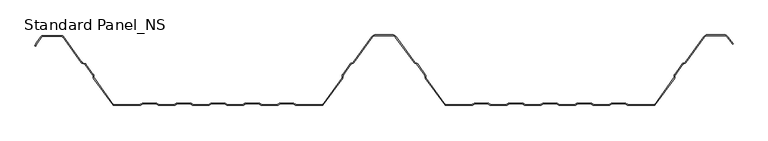
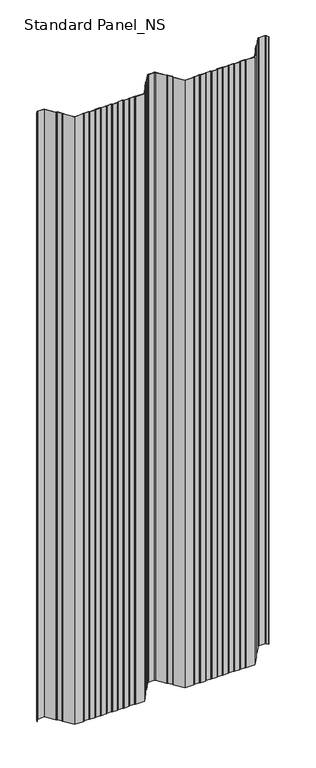
"""IFC4 building model written with IfcOpenShell, lengths in millimetres: proxy geometry, Standard Panel_NS."""

from ifc_helpers import new_model, si_unit, point, frame, frame_2d, origin, place, context, project, spatial, polyline, circle_curve, trimmed, segment, composite_curve, outline, extrude, source, transform, mapped, element, save


def standard_panel_ns_01770529(model_context):
    return source(origin(), model_context, "Body", "SweptSolid", [
        extrude(outline(composite_curve([segment(trimmed(circle_curve(frame_2d((-489.5977664, 97.2513951)), 2.7486049), [point((-491.8230656, 98.864737))], [point((-489.5977664, 100.0))], False, "CARTESIAN"), True, "CONTINUOUS"), segment(polyline([(-489.5977664, 100.0), (-462.4022336, 100.0)]), True, "CONTINUOUS"), segment(trimmed(circle_curve(frame_2d((-462.4022336, 97.2513951)), 2.7486049), [point((-462.4022336, 100.0))], [point((-460.1769344, 98.864737))], False, "CARTESIAN"), True, "CONTINUOUS"), segment(polyline([(-460.1769344, 98.864737), (-433.3812187, 61.9051293)]), True, "CONTINUOUS"), segment(trimmed(circle_curve(frame_2d((-431.96553, 62.9315037)), 1.7486049), [point((-433.3812187, 61.9051293))], [point((-432.5741242, 61.2922257))], True, "CARTESIAN"), True, "CONTINUOUS"), segment(polyline([(-432.5741242, 61.2922257), (-428.780451, 59.8837962)]), True, "CONTINUOUS"), segment(trimmed(circle_curve(frame_2d((-429.7370908, 57.3070406)), 2.7486049), [point((-428.780451, 59.8837962))], [point((-427.5117915, 58.9203825))], False, "CARTESIAN"), True, "CONTINUOUS"), segment(polyline([(-427.5117915, 58.9203825), (-416.7622541, 44.0934344)]), True, "CONTINUOUS"), segment(trimmed(circle_curve(frame_2d((-418.9875533, 42.4800924)), 2.7486049), [point((-416.7622541, 44.0934344))], [point((-416.2410714, 42.5881001))], False, "CARTESIAN"), True, "CONTINUOUS"), segment(polyline([(-416.2410714, 42.5881001), (-416.152896, 40.3459275)]), True, "CONTINUOUS"), segment(trimmed(circle_curve(frame_2d((-414.4056417, 40.4146398)), 1.7486049), [point((-416.152896, 40.3459275))], [point((-415.8213305, 39.3882654))], True, "CARTESIAN"), True, "CONTINUOUS"), segment(polyline([(-415.8213305, 39.3882654), (-387.9898381, 1.0), (-350.1655439, 1.0)]), True, "CONTINUOUS"), segment(trimmed(circle_curve(frame_2d((-350.1655439, 2.7486049)), 1.7486049), [point((-350.1655439, 1.0))], [point((-349.1955925, 1.2936777))], True, "CARTESIAN"), True, "CONTINUOUS"), segment(polyline([(-349.1955925, 1.2936777), (-347.32855, 2.5383726)]), True, "CONTINUOUS"), segment(trimmed(circle_curve(frame_2d((-345.8038984, 0.2513951)), 2.7486049), [point((-347.32855, 2.5383726))], [point((-345.8038984, 3.0))], False, "CARTESIAN"), True, "CONTINUOUS"), segment(polyline([(-345.8038984, 3.0), (-326.8627683, 3.0)]), True, "CONTINUOUS"), segment(trimmed(circle_curve(frame_2d((-326.8627683, 0.2513951)), 2.7486049), [point((-326.8627683, 3.0))], [point((-325.3381166, 2.5383726))], False, "CARTESIAN"), True, "CONTINUOUS"), segment(polyline([(-325.3381166, 2.5383726), (-323.4710742, 1.2936777)]), True, "CONTINUOUS"), segment(trimmed(circle_curve(frame_2d((-322.5011227, 2.7486049)), 1.7486049), [point((-323.4710742, 1.2936777))], [point((-322.5011227, 1.0))], True, "CARTESIAN"), True, "CONTINUOUS"), segment(polyline([(-322.5011227, 1.0), (-300.9988773, 1.0)]), True, "CONTINUOUS"), segment(trimmed(circle_curve(frame_2d((-300.9988773, 2.7486049)), 1.7486049), [point((-300.9988773, 1.0))], [point((-300.0289258, 1.2936777))], True, "CARTESIAN"), True, "CONTINUOUS"), segment(polyline([(-300.0289258, 1.2936777), (-298.1618834, 2.5383726)]), True, "CONTINUOUS"), segment(trimmed(circle_curve(frame_2d((-296.6372317, 0.2513951)), 2.7486049), [point((-298.1618834, 2.5383726))], [point((-296.6372317, 3.0))], False, "CARTESIAN"), True, "CONTINUOUS"), segment(polyline([(-296.6372317, 3.0), (-277.6961016, 3.0)]), True, "CONTINUOUS"), segment(trimmed(circle_curve(frame_2d((-277.6961016, 0.2513951)), 2.7486049), [point((-277.6961016, 3.0))], [point((-276.17145, 2.5383726))], False, "CARTESIAN"), True, "CONTINUOUS"), segment(polyline([(-276.17145, 2.5383726), (-274.3044075, 1.2936777)]), True, "CONTINUOUS"), segment(trimmed(circle_curve(frame_2d((-273.3344561, 2.7486049)), 1.7486049), [point((-274.3044075, 1.2936777))], [point((-273.3344561, 1.0))], True, "CARTESIAN"), True, "CONTINUOUS"), segment(polyline([(-273.3344561, 1.0), (-251.8322106, 1.0)]), True, "CONTINUOUS"), segment(trimmed(circle_curve(frame_2d((-251.8322106, 2.7486049)), 1.7486049), [point((-251.8322106, 1.0))], [point((-250.8622591, 1.2936777))], True, "CARTESIAN"), True, "CONTINUOUS"), segment(polyline([(-250.8622591, 1.2936777), (-248.9952167, 2.5383726)]), True, "CONTINUOUS"), segment(trimmed(circle_curve(frame_2d((-247.470565, 0.2513951)), 2.7486049), [point((-248.9952167, 2.5383726))], [point((-247.470565, 3.0))], False, "CARTESIAN"), True, "CONTINUOUS"), segment(polyline([(-247.470565, 3.0), (-228.529435, 3.0)]), True, "CONTINUOUS"), segment(trimmed(circle_curve(frame_2d((-228.529435, 0.2513951)), 2.7486049), [point((-228.529435, 3.0))], [point((-227.0047833, 2.5383726))], False, "CARTESIAN"), True, "CONTINUOUS"), segment(polyline([(-227.0047833, 2.5383726), (-225.1377409, 1.2936777)]), True, "CONTINUOUS"), segment(trimmed(circle_curve(frame_2d((-224.1677894, 2.7486049)), 1.7486049), [point((-225.1377409, 1.2936777))], [point((-224.1677894, 1.0))], True, "CARTESIAN"), True, "CONTINUOUS"), segment(polyline([(-224.1677894, 1.0), (-202.6655439, 1.0)]), True, "CONTINUOUS"), segment(trimmed(circle_curve(frame_2d((-202.6655439, 2.7486049)), 1.7486049), [point((-202.6655439, 1.0))], [point((-201.6955925, 1.2936777))], True, "CARTESIAN"), True, "CONTINUOUS"), segment(polyline([(-201.6955925, 1.2936777), (-199.82855, 2.5383726)]), True, "CONTINUOUS"), segment(trimmed(circle_curve(frame_2d((-198.3038984, 0.2513951)), 2.7486049), [point((-199.82855, 2.5383726))], [point((-198.3038984, 3.0))], False, "CARTESIAN"), True, "CONTINUOUS"), segment(polyline([(-198.3038984, 3.0), (-179.3627683, 3.0)]), True, "CONTINUOUS"), segment(trimmed(circle_curve(frame_2d((-179.3627683, 0.2513951)), 2.7486049), [point((-179.3627683, 3.0))], [point((-177.8381166, 2.5383726))], False, "CARTESIAN"), True, "CONTINUOUS"), segment(polyline([(-177.8381166, 2.5383726), (-175.9710742, 1.2936777)]), True, "CONTINUOUS"), segment(trimmed(circle_curve(frame_2d((-175.0011227, 2.7486049)), 1.7486049), [point((-175.9710742, 1.2936777))], [point((-175.0011227, 1.0))], True, "CARTESIAN"), True, "CONTINUOUS"), segment(polyline([(-175.0011227, 1.0), (-153.4988773, 1.0)]), True, "CONTINUOUS"), segment(trimmed(circle_curve(frame_2d((-153.4988773, 2.7486049)), 1.7486049), [point((-153.4988773, 1.0))], [point((-152.5289258, 1.2936777))], True, "CARTESIAN"), True, "CONTINUOUS"), segment(polyline([(-152.5289258, 1.2936777), (-150.6618834, 2.5383726)]), True, "CONTINUOUS"), segment(trimmed(circle_curve(frame_2d((-149.1372317, 0.2513951)), 2.7486049), [point((-150.6618834, 2.5383726))], [point((-149.1372317, 3.0))], False, "CARTESIAN"), True, "CONTINUOUS"), segment(polyline([(-149.1372317, 3.0), (-130.1961016, 3.0)]), True, "CONTINUOUS"), segment(trimmed(circle_curve(frame_2d((-130.1961016, 0.2513951)), 2.7486049), [point((-130.1961016, 3.0))], [point((-128.67145, 2.5383726))], False, "CARTESIAN"), True, "CONTINUOUS"), segment(polyline([(-128.67145, 2.5383726), (-126.8044075, 1.2936777)]), True, "CONTINUOUS"), segment(trimmed(circle_curve(frame_2d((-125.8344561, 2.7486049)), 1.7486049), [point((-126.8044075, 1.2936777))], [point((-125.8344561, 1.0))], True, "CARTESIAN"), True, "CONTINUOUS"), segment(polyline([(-125.8344561, 1.0), (-88.0101619, 1.0), (-60.1786695, 39.3882654)]), True, "CONTINUOUS"), segment(trimmed(circle_curve(frame_2d((-61.5943583, 40.4146398)), 1.7486049), [point((-60.1786695, 39.3882654))], [point((-59.847104, 40.3459275))], True, "CARTESIAN"), True, "CONTINUOUS"), segment(polyline([(-59.847104, 40.3459275), (-59.7589286, 42.5881001)]), True, "CONTINUOUS"), segment(trimmed(circle_curve(frame_2d((-57.0124467, 42.4800924)), 2.7486049), [point((-59.7589286, 42.5881001))], [point((-59.2377459, 44.0934344))], False, "CARTESIAN"), True, "CONTINUOUS"), segment(polyline([(-59.2377459, 44.0934344), (-48.1199168, 59.4283711)]), True, "CONTINUOUS"), segment(trimmed(circle_curve(frame_2d((-45.8946175, 57.8150291)), 2.7486049), [point((-48.1199168, 59.4283711))], [point((-46.8512573, 60.3917847))], False, "CARTESIAN"), True, "CONTINUOUS"), segment(polyline([(-46.8512573, 60.3917847), (-44.747646, 61.1727662)]), True, "CONTINUOUS"), segment(trimmed(circle_curve(frame_2d((-45.3562402, 62.8120441)), 1.7486049), [point((-44.747646, 61.1727662))], [point((-43.9405514, 61.7856697))], True, "CARTESIAN"), True, "CONTINUOUS"), segment(polyline([(-43.9405514, 61.7856697), (-17.306853, 98.5218054)]), True, "CONTINUOUS"), segment(trimmed(circle_curve(frame_2d((-12.4491903, 95.0)), 6.0), [point((-17.306853, 98.5218054))], [point((-12.4491903, 101.0))], False, "CARTESIAN"), True, "CONTINUOUS"), segment(polyline([(-12.4491903, 101.0), (12.4491903, 101.0)]), True, "CONTINUOUS"), segment(trimmed(circle_curve(frame_2d((12.4491903, 95.0)), 6.0), [point((12.4491903, 101.0))], [point((17.306853, 98.5218054))], False, "CARTESIAN"), True, "CONTINUOUS"), segment(polyline([(17.306853, 98.5218054), (43.9405514, 61.7856697)]), True, "CONTINUOUS"), segment(trimmed(circle_curve(frame_2d((45.3562402, 62.8120441)), 1.7486049), [point((43.9405514, 61.7856697))], [point((44.747646, 61.1727662))], True, "CARTESIAN"), True, "CONTINUOUS"), segment(polyline([(44.747646, 61.1727662), (46.8512573, 60.3917847)]), True, "CONTINUOUS"), segment(trimmed(circle_curve(frame_2d((45.8946175, 57.8150291)), 2.7486049), [point((46.8512573, 60.3917847))], [point((48.1199168, 59.4283711))], False, "CARTESIAN"), True, "CONTINUOUS"), segment(polyline([(48.1199168, 59.4283711), (59.2377459, 44.0934344)]), True, "CONTINUOUS"), segment(trimmed(circle_curve(frame_2d((57.0124467, 42.4800924)), 2.7486049), [point((59.2377459, 44.0934344))], [point((59.7589286, 42.5881001))], False, "CARTESIAN"), True, "CONTINUOUS"), segment(polyline([(59.7589286, 42.5881001), (59.847104, 40.3459275)]), True, "CONTINUOUS"), segment(trimmed(circle_curve(frame_2d((61.5943583, 40.4146398)), 1.7486049), [point((59.847104, 40.3459275))], [point((60.1786695, 39.3882654))], True, "CARTESIAN"), True, "CONTINUOUS"), segment(polyline([(60.1786695, 39.3882654), (88.0101619, 1.0), (125.8344561, 1.0)]), True, "CONTINUOUS"), segment(trimmed(circle_curve(frame_2d((125.8344561, 2.7486049)), 1.7486049), [point((125.8344561, 1.0))], [point((126.8044075, 1.2936777))], True, "CARTESIAN"), True, "CONTINUOUS"), segment(polyline([(126.8044075, 1.2936777), (128.67145, 2.5383726)]), True, "CONTINUOUS"), segment(trimmed(circle_curve(frame_2d((130.1961016, 0.2513951)), 2.7486049), [point((128.67145, 2.5383726))], [point((130.1961016, 3.0))], False, "CARTESIAN"), True, "CONTINUOUS"), segment(polyline([(130.1961016, 3.0), (149.1372317, 3.0)]), True, "CONTINUOUS"), segment(trimmed(circle_curve(frame_2d((149.1372317, 0.2513951)), 2.7486049), [point((149.1372317, 3.0))], [point((150.6618834, 2.5383726))], False, "CARTESIAN"), True, "CONTINUOUS"), segment(polyline([(150.6618834, 2.5383726), (152.5289258, 1.2936777)]), True, "CONTINUOUS"), segment(trimmed(circle_curve(frame_2d((153.4988773, 2.7486049)), 1.7486049), [point((152.5289258, 1.2936777))], [point((153.4988773, 1.0))], True, "CARTESIAN"), True, "CONTINUOUS"), segment(polyline([(153.4988773, 1.0), (175.0011227, 1.0)]), True, "CONTINUOUS"), segment(trimmed(circle_curve(frame_2d((175.0011227, 2.7486049)), 1.7486049), [point((175.0011227, 1.0))], [point((175.9710742, 1.2936777))], True, "CARTESIAN"), True, "CONTINUOUS"), segment(polyline([(175.9710742, 1.2936777), (177.8381166, 2.5383726)]), True, "CONTINUOUS"), segment(trimmed(circle_curve(frame_2d((179.3627683, 0.2513951)), 2.7486049), [point((177.8381166, 2.5383726))], [point((179.3627683, 3.0))], False, "CARTESIAN"), True, "CONTINUOUS"), segment(polyline([(179.3627683, 3.0), (198.3038984, 3.0)]), True, "CONTINUOUS"), segment(trimmed(circle_curve(frame_2d((198.3038984, 0.2513951)), 2.7486049), [point((198.3038984, 3.0))], [point((199.82855, 2.5383726))], False, "CARTESIAN"), True, "CONTINUOUS"), segment(polyline([(199.82855, 2.5383726), (201.6955925, 1.2936777)]), True, "CONTINUOUS"), segment(trimmed(circle_curve(frame_2d((202.6655439, 2.7486049)), 1.7486049), [point((201.6955925, 1.2936777))], [point((202.6655439, 1.0))], True, "CARTESIAN"), True, "CONTINUOUS"), segment(polyline([(202.6655439, 1.0), (224.1677894, 1.0)]), True, "CONTINUOUS"), segment(trimmed(circle_curve(frame_2d((224.1677894, 2.7486049)), 1.7486049), [point((224.1677894, 1.0))], [point((225.1377409, 1.2936777))], True, "CARTESIAN"), True, "CONTINUOUS"), segment(polyline([(225.1377409, 1.2936777), (227.0047833, 2.5383726)]), True, "CONTINUOUS"), segment(trimmed(circle_curve(frame_2d((228.529435, 0.2513951)), 2.7486049), [point((227.0047833, 2.5383726))], [point((228.529435, 3.0))], False, "CARTESIAN"), True, "CONTINUOUS"), segment(polyline([(228.529435, 3.0), (247.470565, 3.0)]), True, "CONTINUOUS"), segment(trimmed(circle_curve(frame_2d((247.470565, 0.2513951)), 2.7486049), [point((247.470565, 3.0))], [point((248.9952167, 2.5383726))], False, "CARTESIAN"), True, "CONTINUOUS"), segment(polyline([(248.9952167, 2.5383726), (250.8622591, 1.2936777)]), True, "CONTINUOUS"), segment(trimmed(circle_curve(frame_2d((251.8322106, 2.7486049)), 1.7486049), [point((250.8622591, 1.2936777))], [point((251.8322106, 1.0))], True, "CARTESIAN"), True, "CONTINUOUS"), segment(polyline([(251.8322106, 1.0), (273.3344561, 1.0)]), True, "CONTINUOUS"), segment(trimmed(circle_curve(frame_2d((273.3344561, 2.7486049)), 1.7486049), [point((273.3344561, 1.0))], [point((274.3044075, 1.2936777))], True, "CARTESIAN"), True, "CONTINUOUS"), segment(polyline([(274.3044075, 1.2936777), (276.17145, 2.5383726)]), True, "CONTINUOUS"), segment(trimmed(circle_curve(frame_2d((277.6961016, 0.2513951)), 2.7486049), [point((276.17145, 2.5383726))], [point((277.6961016, 3.0))], False, "CARTESIAN"), True, "CONTINUOUS"), segment(polyline([(277.6961016, 3.0), (296.6372317, 3.0)]), True, "CONTINUOUS"), segment(trimmed(circle_curve(frame_2d((296.6372317, 0.2513951)), 2.7486049), [point((296.6372317, 3.0))], [point((298.1618834, 2.5383726))], False, "CARTESIAN"), True, "CONTINUOUS"), segment(polyline([(298.1618834, 2.5383726), (300.0289258, 1.2936777)]), True, "CONTINUOUS"), segment(trimmed(circle_curve(frame_2d((300.9988773, 2.7486049)), 1.7486049), [point((300.0289258, 1.2936777))], [point((300.9988773, 1.0))], True, "CARTESIAN"), True, "CONTINUOUS"), segment(polyline([(300.9988773, 1.0), (322.5011227, 1.0)]), True, "CONTINUOUS"), segment(trimmed(circle_curve(frame_2d((322.5011227, 2.7486049)), 1.7486049), [point((322.5011227, 1.0))], [point((323.4710742, 1.2936777))], True, "CARTESIAN"), True, "CONTINUOUS"), segment(polyline([(323.4710742, 1.2936777), (325.3381166, 2.5383726)]), True, "CONTINUOUS"), segment(trimmed(circle_curve(frame_2d((326.8627683, 0.2513951)), 2.7486049), [point((325.3381166, 2.5383726))], [point((326.8627683, 3.0))], False, "CARTESIAN"), True, "CONTINUOUS"), segment(polyline([(326.8627683, 3.0), (345.8038984, 3.0)]), True, "CONTINUOUS"), segment(trimmed(circle_curve(frame_2d((345.8038984, 0.2513951)), 2.7486049), [point((345.8038984, 3.0))], [point((347.32855, 2.5383726))], False, "CARTESIAN"), True, "CONTINUOUS"), segment(polyline([(347.32855, 2.5383726), (349.1955925, 1.2936777)]), True, "CONTINUOUS"), segment(trimmed(circle_curve(frame_2d((350.1655439, 2.7486049)), 1.7486049), [point((349.1955925, 1.2936777))], [point((350.1655439, 1.0))], True, "CARTESIAN"), True, "CONTINUOUS"), segment(polyline([(350.1655439, 1.0), (387.9898381, 1.0), (415.8213305, 39.3882654)]), True, "CONTINUOUS"), segment(trimmed(circle_curve(frame_2d((414.4056417, 40.4146398)), 1.7486049), [point((415.8213305, 39.3882654))], [point((416.152896, 40.3459275))], True, "CARTESIAN"), True, "CONTINUOUS"), segment(polyline([(416.152896, 40.3459275), (416.2410714, 42.5881001)]), True, "CONTINUOUS"), segment(trimmed(circle_curve(frame_2d((418.9875533, 42.4800924)), 2.7486049), [point((416.2410714, 42.5881001))], [point((416.7622541, 44.0934344))], False, "CARTESIAN"), True, "CONTINUOUS"), segment(polyline([(416.7622541, 44.0934344), (427.8800832, 59.4283711)]), True, "CONTINUOUS"), segment(trimmed(circle_curve(frame_2d((430.1053825, 57.8150291)), 2.7486049), [point((427.8800832, 59.4283711))], [point((429.1487427, 60.3917847))], False, "CARTESIAN"), True, "CONTINUOUS"), segment(polyline([(429.1487427, 60.3917847), (431.252354, 61.1727662)]), True, "CONTINUOUS"), segment(trimmed(circle_curve(frame_2d((430.6437598, 62.8120441)), 1.7486049), [point((431.252354, 61.1727662))], [point((432.0594486, 61.7856697))], True, "CARTESIAN"), True, "CONTINUOUS"), segment(polyline([(432.0594486, 61.7856697), (458.693147, 98.5218054)]), True, "CONTINUOUS"), segment(trimmed(circle_curve(frame_2d((463.5508097, 95.0)), 6.0), [point((458.693147, 98.5218054))], [point((463.5508097, 101.0))], False, "CARTESIAN"), True, "CONTINUOUS"), segment(polyline([(463.5508097, 101.0), (488.4491903, 101.0)]), True, "CONTINUOUS"), segment(trimmed(circle_curve(frame_2d((488.4491903, 95.0)), 6.0), [point((488.4491903, 101.0))], [point((493.306853, 98.5218054))], False, "CARTESIAN"), True, "CONTINUOUS"), segment(polyline([(493.306853, 98.5218054), (500.614124, 88.4428109), (499.8045136, 87.8558433), (492.4972426, 97.9348379)]), True, "CONTINUOUS"), segment(trimmed(circle_curve(frame_2d((488.4491903, 95.0)), 5.0), [point((492.4972426, 97.9348379))], [point((488.4491903, 100.0))], True, "CARTESIAN"), True, "CONTINUOUS"), segment(polyline([(488.4491903, 100.0), (463.5508097, 100.0)]), True, "CONTINUOUS"), segment(trimmed(circle_curve(frame_2d((463.5508097, 95.0)), 5.0), [point((463.5508097, 100.0))], [point((459.5027574, 97.9348379))], True, "CARTESIAN"), True, "CONTINUOUS"), segment(polyline([(459.5027574, 97.9348379), (432.8690591, 61.1987022)]), True, "CONTINUOUS"), segment(trimmed(circle_curve(frame_2d((430.6437598, 62.8120441)), 2.7486049), [point((432.8690591, 61.1987022))], [point((431.6003996, 60.2352885))], False, "CARTESIAN"), True, "CONTINUOUS"), segment(polyline([(431.6003996, 60.2352885), (429.4967883, 59.4543071)]), True, "CONTINUOUS"), segment(trimmed(circle_curve(frame_2d((430.1053825, 57.8150291)), 1.7486049), [point((429.4967883, 59.4543071))], [point((428.6896937, 58.8414035))], True, "CARTESIAN"), True, "CONTINUOUS"), segment(polyline([(428.6896937, 58.8414035), (417.5718646, 43.5064668)]), True, "CONTINUOUS"), segment(trimmed(circle_curve(frame_2d((418.9875533, 42.4800924)), 1.7486049), [point((417.5718646, 43.5064668))], [point((417.240299, 42.5488047))], True, "CARTESIAN"), True, "CONTINUOUS"), segment(polyline([(417.240299, 42.5488047), (417.1521237, 40.3066321)]), True, "CONTINUOUS"), segment(trimmed(circle_curve(frame_2d((414.4056417, 40.4146398)), 2.7486049), [point((417.1521237, 40.3066321))], [point((416.6309409, 38.8012978))], False, "CARTESIAN"), True, "CONTINUOUS"), segment(polyline([(416.6309409, 38.8012978), (388.5, 0.0), (350.1655439, 0.0)]), True, "CONTINUOUS"), segment(trimmed(circle_curve(frame_2d((350.1655439, 2.7486049)), 2.7486049), [point((350.1655439, 0.0))], [point((348.6408923, 0.4616274))], False, "CARTESIAN"), True, "CONTINUOUS"), segment(polyline([(348.6408923, 0.4616274), (346.7738498, 1.7063223)]), True, "CONTINUOUS"), segment(trimmed(circle_curve(frame_2d((345.8038984, 0.2513951)), 1.7486049), [point((346.7738498, 1.7063223))], [point((345.8038984, 2.0))], True, "CARTESIAN"), True, "CONTINUOUS"), segment(polyline([(345.8038984, 2.0), (326.8627683, 2.0)]), True, "CONTINUOUS"), segment(trimmed(circle_curve(frame_2d((326.8627683, 0.2513951)), 1.7486049), [point((326.8627683, 2.0))], [point((325.8928168, 1.7063223))], True, "CARTESIAN"), True, "CONTINUOUS"), segment(polyline([(325.8928168, 1.7063223), (324.0257744, 0.4616274)]), True, "CONTINUOUS"), segment(trimmed(circle_curve(frame_2d((322.5011227, 2.7486049)), 2.7486049), [point((324.0257744, 0.4616274))], [point((322.5011227, 0.0))], False, "CARTESIAN"), True, "CONTINUOUS"), segment(polyline([(322.5011227, 0.0), (300.9988773, 0.0)]), True, "CONTINUOUS"), segment(trimmed(circle_curve(frame_2d((300.9988773, 2.7486049)), 2.7486049), [point((300.9988773, 0.0))], [point((299.4742256, 0.4616274))], False, "CARTESIAN"), True, "CONTINUOUS"), segment(polyline([(299.4742256, 0.4616274), (297.6071832, 1.7063223)]), True, "CONTINUOUS"), segment(trimmed(circle_curve(frame_2d((296.6372317, 0.2513951)), 1.7486049), [point((297.6071832, 1.7063223))], [point((296.6372317, 2.0))], True, "CARTESIAN"), True, "CONTINUOUS"), segment(polyline([(296.6372317, 2.0), (277.6961016, 2.0)]), True, "CONTINUOUS"), segment(trimmed(circle_curve(frame_2d((277.6961016, 0.2513951)), 1.7486049), [point((277.6961016, 2.0))], [point((276.7261502, 1.7063223))], True, "CARTESIAN"), True, "CONTINUOUS"), segment(polyline([(276.7261502, 1.7063223), (274.8591077, 0.4616274)]), True, "CONTINUOUS"), segment(trimmed(circle_curve(frame_2d((273.3344561, 2.7486049)), 2.7486049), [point((274.8591077, 0.4616274))], [point((273.3344561, 0.0))], False, "CARTESIAN"), True, "CONTINUOUS"), segment(polyline([(273.3344561, 0.0), (251.8322106, 0.0)]), True, "CONTINUOUS"), segment(trimmed(circle_curve(frame_2d((251.8322106, 2.7486049)), 2.7486049), [point((251.8322106, 0.0))], [point((250.3075589, 0.4616274))], False, "CARTESIAN"), True, "CONTINUOUS"), segment(polyline([(250.3075589, 0.4616274), (248.4405165, 1.7063223)]), True, "CONTINUOUS"), segment(trimmed(circle_curve(frame_2d((247.470565, 0.2513951)), 1.7486049), [point((248.4405165, 1.7063223))], [point((247.470565, 2.0))], True, "CARTESIAN"), True, "CONTINUOUS"), segment(polyline([(247.470565, 2.0), (228.529435, 2.0)]), True, "CONTINUOUS"), segment(trimmed(circle_curve(frame_2d((228.529435, 0.2513951)), 1.7486049), [point((228.529435, 2.0))], [point((227.5594835, 1.7063223))], True, "CARTESIAN"), True, "CONTINUOUS"), segment(polyline([(227.5594835, 1.7063223), (225.6924411, 0.4616274)]), True, "CONTINUOUS"), segment(trimmed(circle_curve(frame_2d((224.1677894, 2.7486049)), 2.7486049), [point((225.6924411, 0.4616274))], [point((224.1677894, 0.0))], False, "CARTESIAN"), True, "CONTINUOUS"), segment(polyline([(224.1677894, 0.0), (202.6655439, 0.0)]), True, "CONTINUOUS"), segment(trimmed(circle_curve(frame_2d((202.6655439, 2.7486049)), 2.7486049), [point((202.6655439, 0.0))], [point((201.1408923, 0.4616274))], False, "CARTESIAN"), True, "CONTINUOUS"), segment(polyline([(201.1408923, 0.4616274), (199.2738498, 1.7063223)]), True, "CONTINUOUS"), segment(trimmed(circle_curve(frame_2d((198.3038984, 0.2513951)), 1.7486049), [point((199.2738498, 1.7063223))], [point((198.3038984, 2.0))], True, "CARTESIAN"), True, "CONTINUOUS"), segment(polyline([(198.3038984, 2.0), (179.3627683, 2.0)]), True, "CONTINUOUS"), segment(trimmed(circle_curve(frame_2d((179.3627683, 0.2513951)), 1.7486049), [point((179.3627683, 2.0))], [point((178.3928168, 1.7063223))], True, "CARTESIAN"), True, "CONTINUOUS"), segment(polyline([(178.3928168, 1.7063223), (176.5257744, 0.4616274)]), True, "CONTINUOUS"), segment(trimmed(circle_curve(frame_2d((175.0011227, 2.7486049)), 2.7486049), [point((176.5257744, 0.4616274))], [point((175.0011227, 0.0))], False, "CARTESIAN"), True, "CONTINUOUS"), segment(polyline([(175.0011227, 0.0), (153.4988773, 0.0)]), True, "CONTINUOUS"), segment(trimmed(circle_curve(frame_2d((153.4988773, 2.7486049)), 2.7486049), [point((153.4988773, 0.0))], [point((151.9742256, 0.4616274))], False, "CARTESIAN"), True, "CONTINUOUS"), segment(polyline([(151.9742256, 0.4616274), (150.1071832, 1.7063223)]), True, "CONTINUOUS"), segment(trimmed(circle_curve(frame_2d((149.1372317, 0.2513951)), 1.7486049), [point((150.1071832, 1.7063223))], [point((149.1372317, 2.0))], True, "CARTESIAN"), True, "CONTINUOUS"), segment(polyline([(149.1372317, 2.0), (130.1961016, 2.0)]), True, "CONTINUOUS"), segment(trimmed(circle_curve(frame_2d((130.1961016, 0.2513951)), 1.7486049), [point((130.1961016, 2.0))], [point((129.2261502, 1.7063223))], True, "CARTESIAN"), True, "CONTINUOUS"), segment(polyline([(129.2261502, 1.7063223), (127.3591077, 0.4616274)]), True, "CONTINUOUS"), segment(trimmed(circle_curve(frame_2d((125.8344561, 2.7486049)), 2.7486049), [point((127.3591077, 0.4616274))], [point((125.8344561, 0.0))], False, "CARTESIAN"), True, "CONTINUOUS"), segment(polyline([(125.8344561, 0.0), (87.5, 0.0), (59.3690591, 38.8012978)]), True, "CONTINUOUS"), segment(trimmed(circle_curve(frame_2d((61.5943583, 40.4146398)), 2.7486049), [point((59.3690591, 38.8012978))], [point((58.8478763, 40.3066321))], False, "CARTESIAN"), True, "CONTINUOUS"), segment(polyline([(58.8478763, 40.3066321), (58.759701, 42.5488047)]), True, "CONTINUOUS"), segment(trimmed(circle_curve(frame_2d((57.0124467, 42.4800924)), 1.7486049), [point((58.759701, 42.5488047))], [point((58.4281354, 43.5064668))], True, "CARTESIAN"), True, "CONTINUOUS"), segment(polyline([(58.4281354, 43.5064668), (47.3103063, 58.8414035)]), True, "CONTINUOUS"), segment(trimmed(circle_curve(frame_2d((45.8946175, 57.8150291)), 1.7486049), [point((47.3103063, 58.8414035))], [point((46.5032117, 59.4543071))], True, "CARTESIAN"), True, "CONTINUOUS"), segment(polyline([(46.5032117, 59.4543071), (44.3996004, 60.2352885)]), True, "CONTINUOUS"), segment(trimmed(circle_curve(frame_2d((45.3562402, 62.8120441)), 2.7486049), [point((44.3996004, 60.2352885))], [point((43.1309409, 61.1987022))], False, "CARTESIAN"), True, "CONTINUOUS"), segment(polyline([(43.1309409, 61.1987022), (16.4972426, 97.9348379)]), True, "CONTINUOUS"), segment(trimmed(circle_curve(frame_2d((12.4491903, 95.0)), 5.0), [point((16.4972426, 97.9348379))], [point((12.4491903, 100.0))], True, "CARTESIAN"), True, "CONTINUOUS"), segment(polyline([(12.4491903, 100.0), (-12.4491903, 100.0)]), True, "CONTINUOUS"), segment(trimmed(circle_curve(frame_2d((-12.4491903, 95.0)), 5.0), [point((-12.4491903, 100.0))], [point((-16.4972426, 97.9348379))], True, "CARTESIAN"), True, "CONTINUOUS"), segment(polyline([(-16.4972426, 97.9348379), (-43.1309409, 61.1987022)]), True, "CONTINUOUS"), segment(trimmed(circle_curve(frame_2d((-45.3562402, 62.8120441)), 2.7486049), [point((-43.1309409, 61.1987022))], [point((-44.3996004, 60.2352885))], False, "CARTESIAN"), True, "CONTINUOUS"), segment(polyline([(-44.3996004, 60.2352885), (-46.5032117, 59.4543071)]), True, "CONTINUOUS"), segment(trimmed(circle_curve(frame_2d((-45.8946175, 57.8150291)), 1.7486049), [point((-46.5032117, 59.4543071))], [point((-47.3103063, 58.8414035))], True, "CARTESIAN"), True, "CONTINUOUS"), segment(polyline([(-47.3103063, 58.8414035), (-58.4281354, 43.5064668)]), True, "CONTINUOUS"), segment(trimmed(circle_curve(frame_2d((-57.0124467, 42.4800924)), 1.7486049), [point((-58.4281354, 43.5064668))], [point((-58.759701, 42.5488047))], True, "CARTESIAN"), True, "CONTINUOUS"), segment(polyline([(-58.759701, 42.5488047), (-58.8478763, 40.3066321)]), True, "CONTINUOUS"), segment(trimmed(circle_curve(frame_2d((-61.5943583, 40.4146398)), 2.7486049), [point((-58.8478763, 40.3066321))], [point((-59.3690591, 38.8012978))], False, "CARTESIAN"), True, "CONTINUOUS"), segment(polyline([(-59.3690591, 38.8012978), (-87.5, 0.0), (-125.8344561, 0.0)]), True, "CONTINUOUS"), segment(trimmed(circle_curve(frame_2d((-125.8344561, 2.7486049)), 2.7486049), [point((-125.8344561, 0.0))], [point((-127.3591077, 0.4616274))], False, "CARTESIAN"), True, "CONTINUOUS"), segment(polyline([(-127.3591077, 0.4616274), (-129.2261502, 1.7063223)]), True, "CONTINUOUS"), segment(trimmed(circle_curve(frame_2d((-130.1961016, 0.2513951)), 1.7486049), [point((-129.2261502, 1.7063223))], [point((-130.1961016, 2.0))], True, "CARTESIAN"), True, "CONTINUOUS"), segment(polyline([(-130.1961016, 2.0), (-149.1372317, 2.0)]), True, "CONTINUOUS"), segment(trimmed(circle_curve(frame_2d((-149.1372317, 0.2513951)), 1.7486049), [point((-149.1372317, 2.0))], [point((-150.1071832, 1.7063223))], True, "CARTESIAN"), True, "CONTINUOUS"), segment(polyline([(-150.1071832, 1.7063223), (-151.9742256, 0.4616274)]), True, "CONTINUOUS"), segment(trimmed(circle_curve(frame_2d((-153.4988773, 2.7486049)), 2.7486049), [point((-151.9742256, 0.4616274))], [point((-153.4988773, 0.0))], False, "CARTESIAN"), True, "CONTINUOUS"), segment(polyline([(-153.4988773, 0.0), (-175.0011227, 0.0)]), True, "CONTINUOUS"), segment(trimmed(circle_curve(frame_2d((-175.0011227, 2.7486049)), 2.7486049), [point((-175.0011227, 0.0))], [point((-176.5257744, 0.4616274))], False, "CARTESIAN"), True, "CONTINUOUS"), segment(polyline([(-176.5257744, 0.4616274), (-178.3928168, 1.7063223)]), True, "CONTINUOUS"), segment(trimmed(circle_curve(frame_2d((-179.3627683, 0.2513951)), 1.7486049), [point((-178.3928168, 1.7063223))], [point((-179.3627683, 2.0))], True, "CARTESIAN"), True, "CONTINUOUS"), segment(polyline([(-179.3627683, 2.0), (-198.3038984, 2.0)]), True, "CONTINUOUS"), segment(trimmed(circle_curve(frame_2d((-198.3038984, 0.2513951)), 1.7486049), [point((-198.3038984, 2.0))], [point((-199.2738498, 1.7063223))], True, "CARTESIAN"), True, "CONTINUOUS"), segment(polyline([(-199.2738498, 1.7063223), (-201.1408923, 0.4616274)]), True, "CONTINUOUS"), segment(trimmed(circle_curve(frame_2d((-202.6655439, 2.7486049)), 2.7486049), [point((-201.1408923, 0.4616274))], [point((-202.6655439, 0.0))], False, "CARTESIAN"), True, "CONTINUOUS"), segment(polyline([(-202.6655439, 0.0), (-224.1677894, 0.0)]), True, "CONTINUOUS"), segment(trimmed(circle_curve(frame_2d((-224.1677894, 2.7486049)), 2.7486049), [point((-224.1677894, 0.0))], [point((-225.6924411, 0.4616274))], False, "CARTESIAN"), True, "CONTINUOUS"), segment(polyline([(-225.6924411, 0.4616274), (-227.5594835, 1.7063223)]), True, "CONTINUOUS"), segment(trimmed(circle_curve(frame_2d((-228.529435, 0.2513951)), 1.7486049), [point((-227.5594835, 1.7063223))], [point((-228.529435, 2.0))], True, "CARTESIAN"), True, "CONTINUOUS"), segment(polyline([(-228.529435, 2.0), (-247.470565, 2.0)]), True, "CONTINUOUS"), segment(trimmed(circle_curve(frame_2d((-247.470565, 0.2513951)), 1.7486049), [point((-247.470565, 2.0))], [point((-248.4405165, 1.7063223))], True, "CARTESIAN"), True, "CONTINUOUS"), segment(polyline([(-248.4405165, 1.7063223), (-250.3075589, 0.4616274)]), True, "CONTINUOUS"), segment(trimmed(circle_curve(frame_2d((-251.8322106, 2.7486049)), 2.7486049), [point((-250.3075589, 0.4616274))], [point((-251.8322106, 0.0))], False, "CARTESIAN"), True, "CONTINUOUS"), segment(polyline([(-251.8322106, 0.0), (-273.3344561, 0.0)]), True, "CONTINUOUS"), segment(trimmed(circle_curve(frame_2d((-273.3344561, 2.7486049)), 2.7486049), [point((-273.3344561, 0.0))], [point((-274.8591077, 0.4616274))], False, "CARTESIAN"), True, "CONTINUOUS"), segment(polyline([(-274.8591077, 0.4616274), (-276.7261502, 1.7063223)]), True, "CONTINUOUS"), segment(trimmed(circle_curve(frame_2d((-277.6961016, 0.2513951)), 1.7486049), [point((-276.7261502, 1.7063223))], [point((-277.6961016, 2.0))], True, "CARTESIAN"), True, "CONTINUOUS"), segment(polyline([(-277.6961016, 2.0), (-296.6372317, 2.0)]), True, "CONTINUOUS"), segment(trimmed(circle_curve(frame_2d((-296.6372317, 0.2513951)), 1.7486049), [point((-296.6372317, 2.0))], [point((-297.6071832, 1.7063223))], True, "CARTESIAN"), True, "CONTINUOUS"), segment(polyline([(-297.6071832, 1.7063223), (-299.4742256, 0.4616274)]), True, "CONTINUOUS"), segment(trimmed(circle_curve(frame_2d((-300.9988773, 2.7486049)), 2.7486049), [point((-299.4742256, 0.4616274))], [point((-300.9988773, 0.0))], False, "CARTESIAN"), True, "CONTINUOUS"), segment(polyline([(-300.9988773, 0.0), (-322.5011227, 0.0)]), True, "CONTINUOUS"), segment(trimmed(circle_curve(frame_2d((-322.5011227, 2.7486049)), 2.7486049), [point((-322.5011227, 0.0))], [point((-324.0257744, 0.4616274))], False, "CARTESIAN"), True, "CONTINUOUS"), segment(polyline([(-324.0257744, 0.4616274), (-325.8928168, 1.7063223)]), True, "CONTINUOUS"), segment(trimmed(circle_curve(frame_2d((-326.8627683, 0.2513951)), 1.7486049), [point((-325.8928168, 1.7063223))], [point((-326.8627683, 2.0))], True, "CARTESIAN"), True, "CONTINUOUS"), segment(polyline([(-326.8627683, 2.0), (-345.8038984, 2.0)]), True, "CONTINUOUS"), segment(trimmed(circle_curve(frame_2d((-345.8038984, 0.2513951)), 1.7486049), [point((-345.8038984, 2.0))], [point((-346.7738498, 1.7063223))], True, "CARTESIAN"), True, "CONTINUOUS"), segment(polyline([(-346.7738498, 1.7063223), (-348.6408923, 0.4616274)]), True, "CONTINUOUS"), segment(trimmed(circle_curve(frame_2d((-350.1655439, 2.7486049)), 2.7486049), [point((-348.6408923, 0.4616274))], [point((-350.1655439, 0.0))], False, "CARTESIAN"), True, "CONTINUOUS"), segment(polyline([(-350.1655439, 0.0), (-388.5, 0.0), (-416.6309409, 38.8012978)]), True, "CONTINUOUS"), segment(trimmed(circle_curve(frame_2d((-414.4056417, 40.4146398)), 2.7486049), [point((-416.6309409, 38.8012978))], [point((-417.1521237, 40.3066321))], False, "CARTESIAN"), True, "CONTINUOUS"), segment(polyline([(-417.1521237, 40.3066321), (-417.240299, 42.5488047)]), True, "CONTINUOUS"), segment(trimmed(circle_curve(frame_2d((-418.9875533, 42.4800924)), 1.7486049), [point((-417.240299, 42.5488047))], [point((-417.5718646, 43.5064668))], True, "CARTESIAN"), True, "CONTINUOUS"), segment(polyline([(-417.5718646, 43.5064668), (-428.321402, 58.333415)]), True, "CONTINUOUS"), segment(trimmed(circle_curve(frame_2d((-429.7370908, 57.3070406)), 1.7486049), [point((-428.321402, 58.333415))], [point((-429.1284966, 58.9463185))], True, "CARTESIAN"), True, "CONTINUOUS"), segment(polyline([(-429.1284966, 58.9463185), (-432.9221697, 60.3547481)]), True, "CONTINUOUS"), segment(trimmed(circle_curve(frame_2d((-431.96553, 62.9315037)), 2.7486049), [point((-432.9221697, 60.3547481))], [point((-434.1908292, 61.3181617))], False, "CARTESIAN"), True, "CONTINUOUS"), segment(polyline([(-434.1908292, 61.3181617), (-460.9865448, 98.2777695)]), True, "CONTINUOUS"), segment(trimmed(circle_curve(frame_2d((-462.4022336, 97.2513951)), 1.7486049), [point((-460.9865448, 98.2777695))], [point((-462.4022336, 99.0))], True, "CARTESIAN"), True, "CONTINUOUS"), segment(polyline([(-462.4022336, 99.0), (-489.5977664, 99.0)]), True, "CONTINUOUS"), segment(trimmed(circle_curve(frame_2d((-489.5977664, 97.2513951)), 1.7486049), [point((-489.5977664, 99.0))], [point((-491.0134552, 98.2777695))], True, "CARTESIAN"), True, "CONTINUOUS"), segment(polyline([(-491.0134552, 98.2777695), (-497.5334489, 89.2846747), (-499.6935696, 84.9550455), (-500.5883845, 85.4014829), (-498.391455, 89.8048897), (-491.8230656, 98.864737)]), True, "CONTINUOUS")], self_intersect=False)), frame((0.0, 0.0, -250.0), z_axis=(0.0, 0.0, 1.0), x_axis=(1.0, 0.0, 0.0)), (0.0, 0.0, 1.0), 2762.4689053),
    ])


if __name__ == "__main__":
    model = new_model("IFC4")
    model_context = context("Model", 3, world=origin())
    ifc_project = project(units=[si_unit("LENGTHUNIT", "METRE", prefix="MILLI")], contexts=[model_context])
    site = spatial("IfcSite", under=ifc_project)
    building = spatial("IfcBuilding", under=site)
    placement = place(None, origin())
    standard_panel_ns_shape = standard_panel_ns_01770529(model_context)
    element("IfcBuildingElementProxy", 1, Name="Standard Panel_NS", ObjectType="Standard Panel_NS", at=placement, inside=building, context=model_context, shape_type="MappedRepresentation", body=[
        mapped(standard_panel_ns_shape, transform((0.0, 0.0, 0.0), x_axis=(1.0, 0.0, 0.0), y_axis=(0.0, 1.0, 0.0), z_axis=(0.0, 0.0, 1.0))),
    ])
    save(model, "model.ifc")
